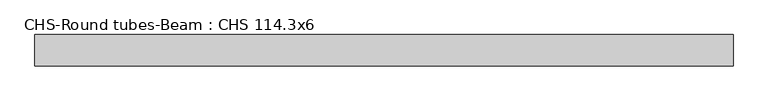
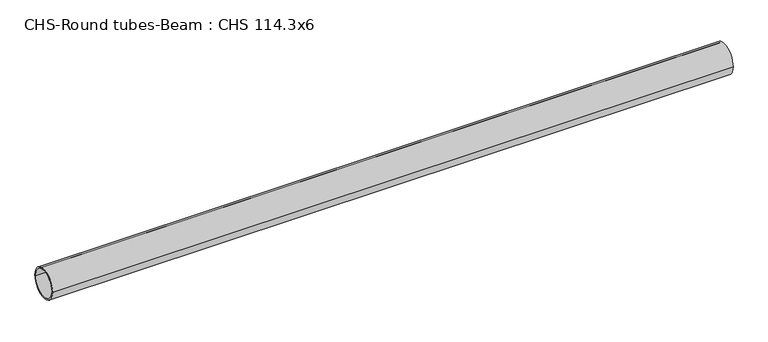
"""IFC4 building model written with IfcOpenShell, lengths in millimetres: beam geometry, CHS-Round tubes-Beam : CHS 114.3x6."""

from ifc_helpers import new_model, si_unit, point, frame, origin, origin_2d, place, context, project, spatial, circle_curve, trimmed, segment, composite_curve, outline, extrude, source, transform, mapped, element, save


def chs_round_tubes_beam_chs_114_3x6_b99af4cb(model_context):
    return source(origin(), model_context, "Body", "SweptSolid", [
        extrude(outline(composite_curve([segment(trimmed(circle_curve(origin_2d(), 57.15), [point((57.15, 0.0))], [point((-57.15, 0.0))], False, "CARTESIAN"), True, "CONTINUOUS"), segment(trimmed(circle_curve(origin_2d(), 57.15), [point((-57.15, 0.0))], [point((57.15, 0.0))], False, "CARTESIAN"), True, "CONTINUOUS")], self_intersect=False), holes=[composite_curve([segment(trimmed(circle_curve(origin_2d(), 51.15), [point((51.15, 0.0))], [point((-51.15, 0.0))], True, "CARTESIAN"), True, "CONTINUOUS"), segment(trimmed(circle_curve(origin_2d(), 51.15), [point((-51.15, 0.0))], [point((51.15, 0.0))], True, "CARTESIAN"), True, "CONTINUOUS")], self_intersect=False)]), frame((-1113.8778253, 0.0, 0.0), z_axis=(1.0, 0.0, 0.0), x_axis=(0.0, 1.0, 0.0)), (0.0, 0.0, 1.0), 2550.2782062),
    ])


if __name__ == "__main__":
    model = new_model("IFC4")
    model_context = context("Model", 3, world=origin())
    ifc_project = project(units=[si_unit("LENGTHUNIT", "METRE", prefix="MILLI")], contexts=[model_context])
    site = spatial("IfcSite", under=ifc_project)
    building = spatial("IfcBuilding", under=site)
    placement = place(None, origin())
    chs_round_tubes_beam_chs_114_3x6_shape = chs_round_tubes_beam_chs_114_3x6_b99af4cb(model_context)
    element("IfcBeam", 1, ObjectType="CHS-Round tubes-Beam : CHS 114.3x6", at=placement, inside=building, context=model_context, shape_type="MappedRepresentation", body=[
        mapped(chs_round_tubes_beam_chs_114_3x6_shape, transform((0.0, 0.0, 0.0), x_axis=(1.0, 0.0, 0.0), y_axis=(0.0, 1.0, 0.0), z_axis=(0.0, 0.0, 1.0))),
    ])
    save(model, "model.ifc")
